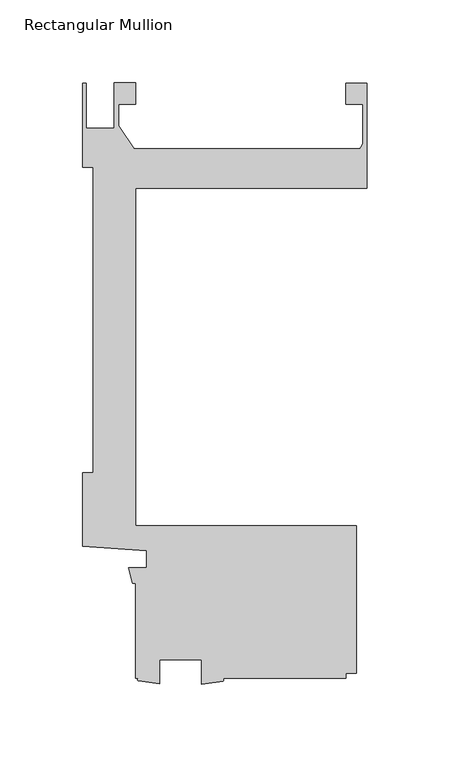
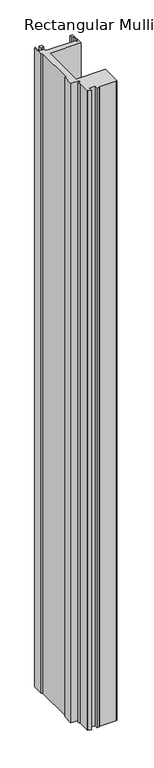
"""IFC4 building model written with IfcOpenShell, lengths in millimetres: member geometry, Rectangular Mullion."""

from ifc_helpers import new_model, si_unit, point, frame, frame_2d, origin, place, context, project, spatial, polyline, circle_curve, trimmed, segment, composite_curve, outline, extrude, source, transform, mapped, element, save


def rectangular_mullion_93f326a3(model_context):
    return source(origin(), model_context, "Body", "SweptSolid", [
        extrude(outline(composite_curve([segment(polyline([(0.0, 203.2), (-139.7010309, 203.2), (-139.7010309, 0.0), (-6.3510934, 0.0), (-6.3510934, -88.899973), (-12.7010309, -88.899973), (-12.7010309, -92.075127), (-87.0244531, -92.075127)]), True, "CONTINUOUS"), segment(trimmed(circle_curve(frame_2d((-87.5292435, -92.9068292)), 0.9729039), [point((-87.0244531, -92.075127))], [point((-87.0244531, -93.7385314))], False, "CARTESIAN"), True, "CONTINUOUS"), segment(polyline([(-87.0244531, -93.7385314), (-99.7975059, -95.5946487), (-99.7975059, -80.962627), (-125.1975059, -80.962627), (-125.1975059, -95.471127), (-137.9687934, -93.6610233)]), True, "CONTINUOUS"), segment(trimmed(circle_curve(frame_2d((-137.4911209, -92.8680751)), 0.9257093), [point((-137.9687934, -93.6610233))], [point((-137.9687934, -92.075127))], False, "CARTESIAN"), True, "CONTINUOUS"), segment(polyline([(-137.9687934, -92.075127), (-139.7010309, -92.075127), (-139.7010309, -34.925), (-141.4322951, -34.925), (-143.8744778, -25.4), (-133.0838609, -25.4), (-133.0838609, -15.24), (-171.4510934, -12.5822928), (-171.4510934, 31.75), (-165.3364335, 31.75), (-165.3364335, 215.8999996), (-171.4499999, 215.8999996), (-171.4499999, 266.6999996), (-169.4179999, 266.6999996), (-169.4179999, 239.5401991), (-152.5173426, 239.5401991), (-152.5173426, 266.7254), (-139.6770294, 266.7254), (-139.6770294, 254.0254), (-149.9773426, 254.0254), (-149.9773426, 240.9945453), (-140.6789127, 226.9997996), (-4.3676768, 226.9997996)]), True, "CONTINUOUS"), segment(trimmed(circle_curve(frame_2d((-8.89, 231.4575)), 6.35), [point((-4.3676768, 226.9997996))], [point((-2.54, 231.4575))], True, "CARTESIAN"), True, "CONTINUOUS"), segment(polyline([(-2.54, 231.4575), (-2.54, 253.9746), (-12.720056, 253.9746), (-12.720056, 266.6746), (0.0, 266.6746), (0.0, 203.2)]), True, "CONTINUOUS")], self_intersect=False)), frame((0.0, 0.0, -3048.0), z_axis=(0.0, 0.0, 1.0), x_axis=(1.0, 0.0, 0.0)), (0.0, 0.0, 1.0), 3048.0),
    ])


if __name__ == "__main__":
    model = new_model("IFC4")
    model_context = context("Model", 3, world=origin())
    ifc_project = project(units=[si_unit("LENGTHUNIT", "METRE", prefix="MILLI")], contexts=[model_context])
    site = spatial("IfcSite", under=ifc_project)
    building = spatial("IfcBuilding", under=site)
    placement = place(None, origin())
    rectangular_mullion_shape = rectangular_mullion_93f326a3(model_context)
    element("IfcMember", 1, ObjectType="Rectangular Mullion", at=placement, inside=building, context=model_context, shape_type="MappedRepresentation", body=[
        mapped(rectangular_mullion_shape, transform((0.0, 0.0, 0.0), x_axis=(1.0, 0.0, 0.0), y_axis=(0.0, 1.0, 0.0), z_axis=(0.0, 0.0, 1.0))),
    ])
    save(model, "model.ifc")
